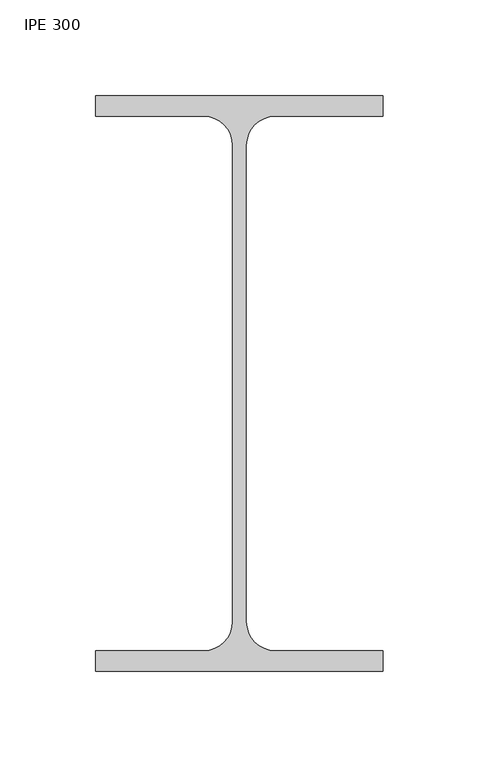
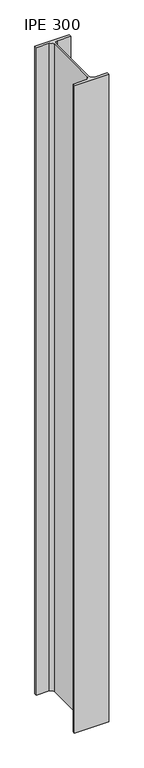
"""IFC4 building model written with IfcOpenShell, lengths in millimetres: column geometry, IPE 300."""

from ifc_helpers import new_model, si_unit, point, frame, frame_2d, origin, place, context, project, spatial, polyline, circle_curve, trimmed, segment, composite_curve, outline, extrude, source, transform, mapped, element, save


def ipe_300_e4aeb1f6(model_context):
    return source(origin(), model_context, "Body", "SweptSolid", [
        extrude(outline(composite_curve([segment(polyline([(75.0, 150.0), (75.0, 139.3), (18.55, 139.3)]), True, "CONTINUOUS"), segment(trimmed(circle_curve(frame_2d((18.55, 124.3)), 15.0), [point((18.55, 139.3))], [point((3.55, 124.3))], True, "CARTESIAN"), True, "CONTINUOUS"), segment(polyline([(3.55, 124.3), (3.55, -124.3)]), True, "CONTINUOUS"), segment(trimmed(circle_curve(frame_2d((18.55, -124.3)), 15.0), [point((3.55, -124.3))], [point((18.55, -139.3))], True, "CARTESIAN"), True, "CONTINUOUS"), segment(polyline([(18.55, -139.3), (75.0, -139.3), (75.0, -150.0), (-75.0, -150.0), (-75.0, -139.3), (-18.55, -139.3)]), True, "CONTINUOUS"), segment(trimmed(circle_curve(frame_2d((-18.55, -124.3)), 15.0), [point((-18.55, -139.3))], [point((-3.55, -124.3))], True, "CARTESIAN"), True, "CONTINUOUS"), segment(polyline([(-3.55, -124.3), (-3.55, 124.3)]), True, "CONTINUOUS"), segment(trimmed(circle_curve(frame_2d((-18.55, 124.3)), 15.0), [point((-3.55, 124.3))], [point((-18.55, 139.3))], True, "CARTESIAN"), True, "CONTINUOUS"), segment(polyline([(-18.55, 139.3), (-75.0, 139.3), (-75.0, 150.0), (75.0, 150.0)]), True, "CONTINUOUS")], self_intersect=False)), frame((0.0, 0.0, -3000.0), z_axis=(0.0, 0.0, 1.0), x_axis=(1.0, 0.0, 0.0)), (0.0, 0.0, 1.0), 3000.0),
    ])


if __name__ == "__main__":
    model = new_model("IFC4")
    model_context = context("Model", 3, world=origin())
    ifc_project = project(units=[si_unit("LENGTHUNIT", "METRE", prefix="MILLI")], contexts=[model_context])
    site = spatial("IfcSite", under=ifc_project)
    building = spatial("IfcBuilding", under=site)
    placement = place(None, origin())
    ipe_300_shape = ipe_300_e4aeb1f6(model_context)
    element("IfcColumn", 1, ObjectType="IPE 300", at=placement, inside=building, context=model_context, shape_type="MappedRepresentation", body=[
        mapped(ipe_300_shape, transform((0.0, 0.0, 0.0), x_axis=(1.0, 0.0, 0.0), y_axis=(0.0, 1.0, 0.0), z_axis=(0.0, 0.0, 1.0))),
    ])
    save(model, "model.ifc")
